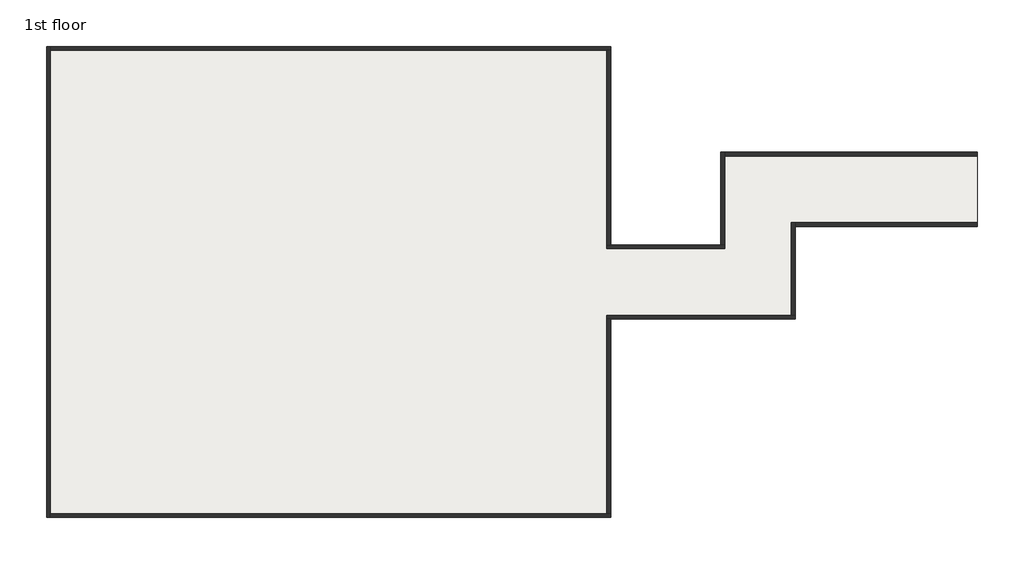
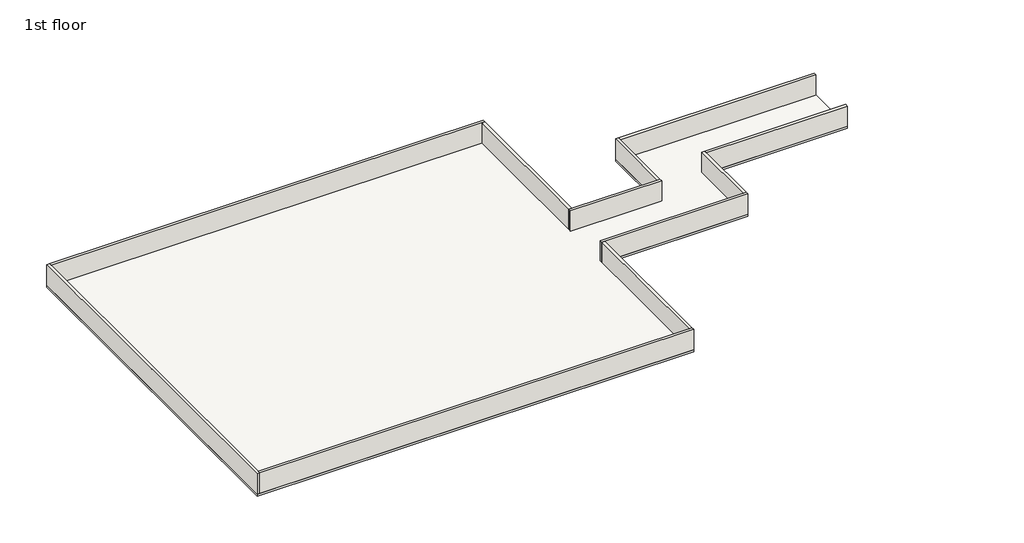
# One storey: 11 walls, 1 slab.
"""IFC4 building model written with IfcOpenShell, lengths in millimetres."""

import ifcopenshell
import ifcopenshell.guid

model = None  # the IFC model being written
_history = None  # IfcOwnerHistory: only IFC2X3 demands one
_inside = {}  # id of a spatial element -> (the spatial element, [elements in it])
_under = {}  # id of a project, library or spatial element -> (it, [spatial elements below it])
_declared = {}  # id of a project -> (the project, [libraries it declares])
_typed = {}  # id of a type object -> (the type object, [elements of that type])
_made_of = {}  # id of a material, layer set ... -> (it, [elements and type objects made of it])


def new_model(schema):
    """Start an empty IFC model of exactly this schema.

    Asked for "IFC4X3", IfcOpenShell would pick the latest addendum, in which some entities
    have other attributes; the version numbers below select the first issue.
    IFC2X3 requires an IfcOwnerHistory on every rooted entity: one is made here for all.
    """
    global model, _history
    if schema == "IFC4X3":
        model = ifcopenshell.file(schema_version=(4, 3, 0, 0))
    else:
        model = ifcopenshell.file(schema=schema)
    _inside.clear()
    _under.clear()
    _declared.clear()
    _typed.clear()
    _made_of.clear()
    _history = None
    if model.schema == "IFC2X3":
        org = make("IfcOrganization", Name="unknown")
        user = make(
            "IfcPersonAndOrganization",
            ThePerson=make("IfcPerson", FamilyName="unknown"),
            TheOrganization=org,
        )
        app = make(
            "IfcApplication",
            ApplicationDeveloper=org,
            Version="unknown",
            ApplicationFullName="unknown",
            ApplicationIdentifier="unknown",
        )
        _history = make(
            "IfcOwnerHistory",
            OwningUser=user,
            OwningApplication=app,
            ChangeAction="ADDED",
            CreationDate=0,
        )
    return model


def make(cls, **values):
    """One entity of the class cls with the attributes given. An attribute that is None is left unset."""
    return model.create_entity(
        cls, **{name: value for name, value in values.items() if value is not None}
    )


def rooted(cls, **values):
    """An entity with a GlobalId (a new one), such as an element, a storey or a relation."""
    return make(cls, GlobalId=ifcopenshell.guid.new(), OwnerHistory=_history, **values)


def si_unit(unit_type, name, prefix=None):
    """IfcSIUnit, for example si_unit("LENGTHUNIT", "METRE", prefix="MILLI")."""
    return make("IfcSIUnit", UnitType=unit_type, Prefix=prefix, Name=name)


def assignment(units):
    """IfcUnitAssignment: the units of a project."""
    return None if units is None else make("IfcUnitAssignment", Units=units)


def point(xyz):
    """IfcCartesianPoint."""
    return None if xyz is None else make("IfcCartesianPoint", Coordinates=xyz)


def direction(xyz):
    """IfcDirection."""
    return None if xyz is None else make("IfcDirection", DirectionRatios=xyz)


def frame(location, z_axis=None, x_axis=None):
    """IfcAxis2Placement3D, a coordinate frame: its origin and axes. An axis left out is left unset."""
    return make(
        "IfcAxis2Placement3D",
        Location=point(location),
        Axis=direction(z_axis),
        RefDirection=direction(x_axis),
    )


def origin():
    """The frame at (0, 0, 0) with its axes left unset."""
    return frame((0.0, 0.0, 0.0))


def origin_with_axes():
    """The frame at (0, 0, 0) with the z axis (0, 0, 1) and the x axis (1, 0, 0) written out."""
    return frame((0.0, 0.0, 0.0), z_axis=(0.0, 0.0, 1.0), x_axis=(1.0, 0.0, 0.0))


def place(relative_to, where):
    """IfcLocalPlacement: puts the frame where relative to a parent placement (None: the world)."""
    return make(
        "IfcLocalPlacement", PlacementRelTo=relative_to, RelativePlacement=where
    )


def context(
    kind, dimensions, precision=None, world=None, true_north=None, identifier=None
):
    """IfcGeometricRepresentationContext, for example the 3D "Model" context."""
    return make(
        "IfcGeometricRepresentationContext",
        ContextIdentifier=identifier,
        ContextType=kind,
        CoordinateSpaceDimension=dimensions,
        Precision=precision,
        WorldCoordinateSystem=world,
        TrueNorth=true_north,
    )


def project(units=None, contexts=None):
    """IfcProject with its units and contexts."""
    return rooted(
        "IfcProject",
        Name="project",
        RepresentationContexts=contexts,
        UnitsInContext=assignment(units),
    )


def spatial(cls, under=None, at=None, **own):
    """A site, building, storey or space (cls), placed at a placement, below another one or the project."""
    s = rooted(cls, ObjectPlacement=at, **own)
    if under is not None:
        _under.setdefault(under.id(), (under, []))[1].append(s)
    return s


def polyline(points):
    """IfcPolyline through the points."""
    return make("IfcPolyline", Points=[point(p) for p in points])


def outline(outer, holes=None, kind="AREA"):
    """IfcArbitraryClosedProfileDef: a profile drawn as a closed curve; with holes, ...WithVoids."""
    if holes is None:
        return make("IfcArbitraryClosedProfileDef", ProfileType=kind, OuterCurve=outer)
    return make(
        "IfcArbitraryProfileDefWithVoids",
        ProfileType=kind,
        OuterCurve=outer,
        InnerCurves=holes,
    )


def extrude(swept, where, along, depth):
    """IfcExtrudedAreaSolid: the profile swept, set in the frame where, extruded along a direction by depth."""
    return make(
        "IfcExtrudedAreaSolid",
        SweptArea=swept,
        Position=where,
        ExtrudedDirection=direction(along),
        Depth=depth,
    )


def faces_of(points, faces, orient=None, outer=None):
    """IfcFace entities. A face is a list of loops; a loop is a list of indices into points, from 0.

    orient and outer hold one flag for each loop. By default every Orientation is true, the
    first loop of a face is its IfcFaceOuterBound and the others are IfcFaceBound.
    """
    made = []
    for i, loops in enumerate(faces):
        bounds = []
        for j, loop in enumerate(loops):
            is_outer = j == 0 if outer is None else outer[i][j]
            bounds.append(
                make(
                    "IfcFaceOuterBound" if is_outer else "IfcFaceBound",
                    Bound=make("IfcPolyLoop", Polygon=[points[k] for k in loop]),
                    Orientation=True if orient is None else orient[i][j],
                )
            )
        made.append(make("IfcFace", Bounds=bounds))
    return made


def faceted_brep(points, faces, orient=None, outer=None, voids=None):
    """IfcFacetedBrep: a solid bounded by flat faces; with voids (closed shells), ...WithVoids."""
    shared = [point(p) for p in points]
    hull = make("IfcClosedShell", CfsFaces=faces_of(shared, faces, orient, outer))
    if voids is None:
        return make("IfcFacetedBrep", Outer=hull)
    return make(
        "IfcFacetedBrepWithVoids",
        Outer=hull,
        Voids=[
            make(cls, CfsFaces=faces_of(shared, fs, o, b)) for cls, fs, o, b in voids
        ],
    )


def shape(context_of_items, identifier, shape_type, items):
    """IfcShapeRepresentation: the items that make up one representation, for example the "Body"."""
    return make(
        "IfcShapeRepresentation",
        ContextOfItems=context_of_items,
        RepresentationIdentifier=identifier,
        RepresentationType=shape_type,
        Items=items,
    )


def made_of(thing, what):
    """Note that an element or type object is made of a material, layer set ...; save() writes the relation."""
    if what is not None:
        _made_of.setdefault(what.id(), (what, []))[1].append(thing)
    return thing


def element(
    cls,
    number,
    at=None,
    inside=None,
    cuts=None,
    type_object=None,
    material=None,
    context=None,
    identifier="Body",
    shape_type=None,
    held_by="IfcProductDefinitionShape",
    body=None,
    shapes=None,
    **own,
):
    """One element of the class cls, such as IfcWall. Its Tag is "e" and its number.

    at: its placement. inside: the storey or other place that contains it. cuts: it is an
    opening in that element (IfcRelVoidsElement). A single representation is given by context,
    identifier, shape_type and body (its items); several are given by shapes. held_by: the class
    of the entity that holds the representations. save() writes the other relations.
    """
    e = rooted(cls, Tag="e%d" % number, ObjectPlacement=at, **own)
    if body is not None:
        shapes = [shape(context, identifier, shape_type, body)]
    if shapes is not None:
        e.Representation = make(held_by, Representations=shapes)
    if inside is not None:
        _inside.setdefault(inside.id(), (inside, []))[1].append(e)
    if cuts is not None:
        rooted(
            "IfcRelVoidsElement", RelatingBuildingElement=cuts, RelatedOpeningElement=e
        )
    if type_object is not None:
        _typed.setdefault(type_object.id(), (type_object, []))[1].append(e)
    return made_of(e, material)


def aggregate(whole, parts):
    """IfcRelAggregates: a whole, such as a stair, and the parts it consists of."""
    return rooted("IfcRelAggregates", RelatingObject=whole, RelatedObjects=parts)


def save(model, path):
    """Write the relations noted so far, then the file.

    IfcRelAggregates (storeys below a building ...), IfcRelContainedInSpatialStructure (elements
    in a storey), IfcRelDefinesByType, IfcRelAssociatesMaterial and IfcRelDeclares: one each for
    every whole, place, type object, material and project.
    """
    for whole, parts in _under.values():
        aggregate(whole, parts)
    for where, things in _inside.values():
        rooted(
            "IfcRelContainedInSpatialStructure",
            RelatedElements=things,
            RelatingStructure=where,
        )
    for kind, things in _typed.values():
        rooted("IfcRelDefinesByType", RelatedObjects=things, RelatingType=kind)
    for what, things in _made_of.values():
        rooted("IfcRelAssociatesMaterial", RelatedObjects=things, RelatingMaterial=what)
    for by, libraries in _declared.values():
        rooted("IfcRelDeclares", RelatingContext=by, RelatedDefinitions=libraries)
    model.write(path)


model = new_model("IFC4")

# Units and contexts
model_context = context("Model", 3, world=origin())
ifc_project = project(units=[si_unit("LENGTHUNIT", "METRE", prefix="MILLI")], contexts=[model_context])

# Site, building, storey
site = spatial("IfcSite", under=ifc_project)
building = spatial("IfcBuilding", under=site)
storey = spatial("IfcBuildingStorey", under=building, Name="1st floor", Elevation=0.0)

# Slab
placement = place(None, origin())
element("IfcSlab", 1, at=placement, inside=storey, context=model_context, shape_type="SweptSolid", body=[
    extrude(outline(polyline([(60623.8386105, 5287.3111128), (60623.8386105, -16112.6888872), (72523.8386105, -16112.6888872), (72523.8386105, -6112.6888872), (100173.8386105, -6112.6888872), (100173.8386105, -14112.6888872), (80523.8386105, -14112.6888872), (80523.8386105, -24112.6888872), (60623.8386105, -24112.6888872), (60623.8386105, -45512.6888872), (-176.1613895, -45512.6888872), (-176.1613895, 5287.3111128), (60623.8386105, 5287.3111128)])), frame((0.0, 0.0, -300.0), z_axis=(0.0, 0.0, 1.0), x_axis=(1.0, 0.0, 0.0)), (0.0, 0.0, 1.0), 300.0),
])

# Walls
element("IfcWall", 2, at=placement, inside=storey, context=model_context, shape_type="Brep", body=[
    faceted_brep([(-176.1613895, 5287.3111128, 0.0), (-176.1613895, -45512.6888872, 0.0), (-176.1613895, -45512.6888872, 3000.0), (-176.1613895, 5287.3111128, 3000.0), (223.8386105, 5287.3111128, 0.0), (223.8386105, 5287.3111128, 3000.0), (223.8386105, 4887.3111128, 3000.0), (223.8386105, -45112.6888872, 3000.0), (223.8386105, -45512.6888872, 3000.0), (223.8386105, -45512.6888872, 0.0), (223.8386105, -45112.6888872, 0.0), (223.8386105, 4887.3111128, 0.0)], [[[0, 1, 2, 3]], [[4, 5, 6, 7, 8, 9, 10, 11]], [[1, 0, 4, 11, 10, 9]], [[3, 2, 8, 7, 6, 5]], [[2, 1, 9, 8]], [[0, 3, 5, 4]]]),
])
element("IfcWall", 3, at=placement, inside=storey, context=model_context, shape_type="Brep", body=[
    faceted_brep([(223.8386105, -45512.6888872, 0.0), (60623.8386105, -45512.6888872, 0.0), (60623.8386105, -45512.6888872, 3000.0), (223.8386105, -45512.6888872, 3000.0), (223.8386105, -45112.6888872, 0.0), (223.8386105, -45112.6888872, 3000.0), (60223.8386105, -45112.6888872, 3000.0), (60623.8386105, -45112.6888872, 3000.0), (60623.8386105, -45112.6888872, 0.0), (60223.8386105, -45112.6888872, 0.0)], [[[0, 1, 2, 3]], [[4, 5, 6, 7, 8, 9]], [[1, 0, 4, 9, 8]], [[3, 2, 7, 6, 5]], [[0, 3, 5, 4]], [[2, 1, 8, 7]]]),
])
element("IfcWall", 4, at=placement, inside=storey, context=model_context, shape_type="Brep", body=[
    faceted_brep([(223.8386105, 4887.3111128, 0.0), (60223.8386105, 4887.3111128, 0.0), (60623.8386105, 4887.3111128, 0.0), (60623.8386105, 4887.3111128, 3000.0), (60223.8386105, 4887.3111128, 3000.0), (223.8386105, 4887.3111128, 3000.0), (223.8386105, 5287.3111128, 0.0), (223.8386105, 5287.3111128, 3000.0), (60623.8386105, 5287.3111128, 3000.0), (60623.8386105, 5287.3111128, 0.0)], [[[0, 1, 2, 3, 4, 5]], [[6, 7, 8, 9]], [[2, 1, 0, 6, 9]], [[5, 4, 3, 8, 7]], [[0, 5, 7, 6]], [[3, 2, 9, 8]]]),
])
element("IfcWall", 5, at=placement, inside=storey, context=model_context, shape_type="SweptSolid", body=[
    extrude(outline(polyline([(60223.8386105, -16112.6888872), (60223.8386105, 4887.3111128), (60623.8386105, 4887.3111128), (60623.8386105, -16112.6888872), (60223.8386105, -16112.6888872)])), origin_with_axes(), (0.0, 0.0, 1.0), 3000.0),
])
element("IfcWall", 6, at=placement, inside=storey, context=model_context, shape_type="Brep", body=[
    faceted_brep([(60223.8386105, -16512.6888872, 0.0), (72923.8386105, -16512.6888872, 0.0), (72923.8386105, -16512.6888872, 3000.0), (60223.8386105, -16512.6888872, 3000.0), (60223.8386105, -16112.6888872, 0.0), (60223.8386105, -16112.6888872, 3000.0), (60623.8386105, -16112.6888872, 3000.0), (72523.8386105, -16112.6888872, 3000.0), (72923.8386105, -16112.6888872, 3000.0), (72923.8386105, -16112.6888872, 0.0), (72523.8386105, -16112.6888872, 0.0), (60623.8386105, -16112.6888872, 0.0)], [[[0, 1, 2, 3]], [[4, 5, 6, 7, 8, 9, 10, 11]], [[1, 0, 4, 11, 10, 9]], [[3, 2, 8, 7, 6, 5]], [[2, 1, 9, 8]], [[0, 3, 5, 4]]]),
])
element("IfcWall", 7, at=placement, inside=storey, context=model_context, shape_type="Brep", body=[
    faceted_brep([(72923.8386105, -16112.6888872, 0.0), (72923.8386105, -6512.6888872, 0.0), (72923.8386105, -6112.6888872, 0.0), (72923.8386105, -6112.6888872, 3000.0), (72923.8386105, -6512.6888872, 3000.0), (72923.8386105, -16112.6888872, 3000.0), (72523.8386105, -16112.6888872, 0.0), (72523.8386105, -16112.6888872, 3000.0), (72523.8386105, -6112.6888872, 3000.0), (72523.8386105, -6112.6888872, 0.0)], [[[0, 1, 2, 3, 4, 5]], [[6, 7, 8, 9]], [[2, 1, 0, 6, 9]], [[5, 4, 3, 8, 7]], [[0, 5, 7, 6]], [[3, 2, 9, 8]]]),
])
element("IfcWall", 8, at=placement, inside=storey, context=model_context, shape_type="SweptSolid", body=[
    extrude(outline(polyline([(100173.8386105, -6512.6888872), (72923.8386105, -6512.6888872), (72923.8386105, -6112.6888872), (100173.8386105, -6112.6888872), (100173.8386105, -6512.6888872)])), origin_with_axes(), (0.0, 0.0, 1.0), 3000.0),
])
element("IfcWall", 9, at=placement, inside=storey, context=model_context, shape_type="Brep", body=[
    faceted_brep([(60223.8386105, -24112.6888872, 0.0), (60623.8386105, -24112.6888872, 0.0), (80523.8386105, -24112.6888872, 0.0), (80523.8386105, -24112.6888872, 3000.0), (60623.8386105, -24112.6888872, 3000.0), (60223.8386105, -24112.6888872, 3000.0), (60223.8386105, -23712.6888872, 0.0), (60223.8386105, -23712.6888872, 3000.0), (80123.8386105, -23712.6888872, 3000.0), (80523.8386105, -23712.6888872, 3000.0), (80523.8386105, -23712.6888872, 0.0), (80123.8386105, -23712.6888872, 0.0)], [[[0, 1, 2, 3, 4, 5]], [[6, 7, 8, 9, 10, 11]], [[2, 1, 0, 6, 11, 10]], [[5, 4, 3, 9, 8, 7]], [[3, 2, 10, 9]], [[0, 5, 7, 6]]]),
])
element("IfcWall", 10, at=placement, inside=storey, context=model_context, shape_type="Brep", body=[
    faceted_brep([(80523.8386105, -23712.6888872, 0.0), (80523.8386105, -14112.6888872, 0.0), (80523.8386105, -13712.6888872, 0.0), (80523.8386105, -13712.6888872, 3000.0), (80523.8386105, -14112.6888872, 3000.0), (80523.8386105, -23712.6888872, 3000.0), (80123.8386105, -23712.6888872, 0.0), (80123.8386105, -23712.6888872, 3000.0), (80123.8386105, -13712.6888872, 3000.0), (80123.8386105, -13712.6888872, 0.0)], [[[0, 1, 2, 3, 4, 5]], [[6, 7, 8, 9]], [[2, 1, 0, 6, 9]], [[5, 4, 3, 8, 7]], [[0, 5, 7, 6]], [[3, 2, 9, 8]]]),
])
element("IfcWall", 11, at=placement, inside=storey, context=model_context, shape_type="SweptSolid", body=[
    extrude(outline(polyline([(100173.8386105, -14112.6888872), (80523.8386105, -14112.6888872), (80523.8386105, -13712.6888872), (100173.8386105, -13712.6888872), (100173.8386105, -14112.6888872)])), origin_with_axes(), (0.0, 0.0, 1.0), 3000.0),
])
element("IfcWall", 12, at=placement, inside=storey, context=model_context, shape_type="SweptSolid", body=[
    extrude(outline(polyline([(60223.8386105, -45112.6888872), (60223.8386105, -24112.6888872), (60623.8386105, -24112.6888872), (60623.8386105, -45112.6888872), (60223.8386105, -45112.6888872)])), origin_with_axes(), (0.0, 0.0, 1.0), 3000.0),
])

save(model, "model.ifc")
